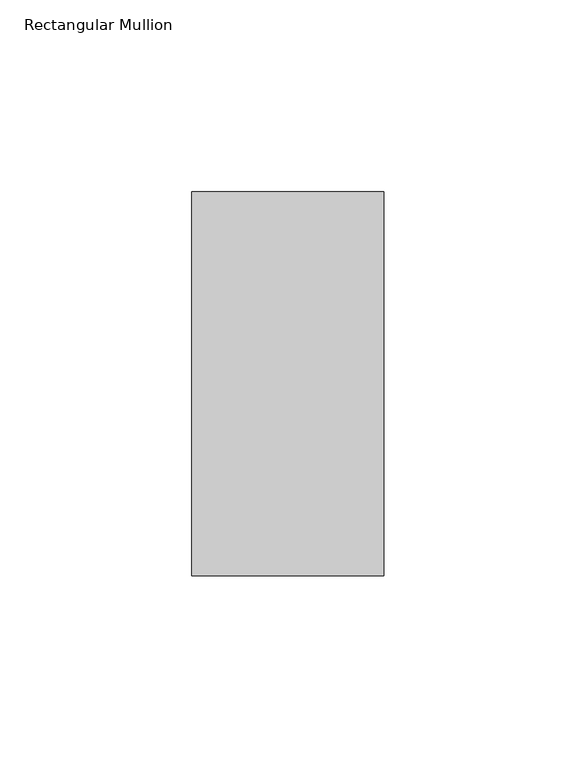
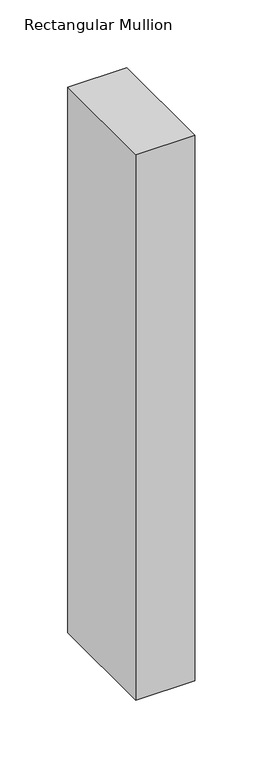
"""IFC4 building model written with IfcOpenShell, lengths in millimetres: member geometry, Rectangular Mullion."""

from ifc_helpers import new_model, si_unit, frame, origin, place, context, project, spatial, polyline, outline, extrude, source, transform, mapped, element, save


def rectangular_mullion_729b7dc0(model_context):
    return source(origin(), model_context, "Body", "SweptSolid", [
        extrude(outline(polyline([(0.0, 69.0), (0.0, -31.0), (-50.0, -31.0), (-50.0, 69.0), (0.0, 69.0)])), frame((0.0, 0.0, -490.0), z_axis=(0.0, 0.0, 1.0), x_axis=(1.0, 0.0, 0.0)), (0.0, 0.0, 1.0), 490.0),
    ])


if __name__ == "__main__":
    model = new_model("IFC4")
    model_context = context("Model", 3, world=origin())
    ifc_project = project(units=[si_unit("LENGTHUNIT", "METRE", prefix="MILLI")], contexts=[model_context])
    site = spatial("IfcSite", under=ifc_project)
    building = spatial("IfcBuilding", under=site)
    placement = place(None, origin())
    rectangular_mullion_shape = rectangular_mullion_729b7dc0(model_context)
    element("IfcMember", 1, ObjectType="Rectangular Mullion", at=placement, inside=building, context=model_context, shape_type="MappedRepresentation", body=[
        mapped(rectangular_mullion_shape, transform((0.0, 0.0, 0.0), x_axis=(1.0, 0.0, 0.0), y_axis=(0.0, 1.0, 0.0), z_axis=(0.0, 0.0, 1.0))),
    ])
    save(model, "model.ifc")
